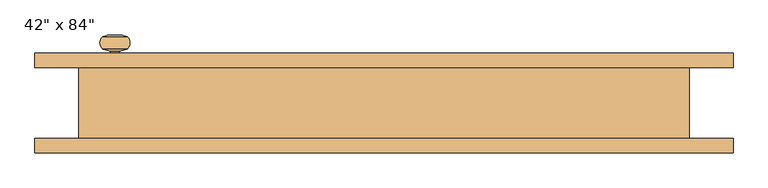
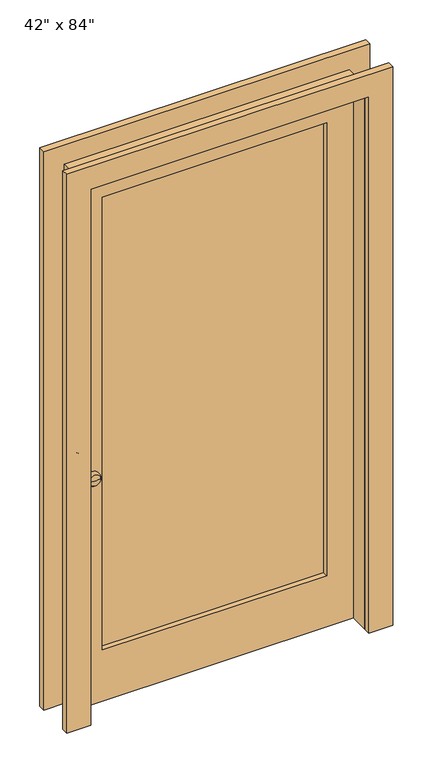
"""IFC4 building model written with IfcOpenShell, lengths in millimetres: door geometry."""

from ifc_helpers import new_model, si_unit, point, frame, origin, place, context, project, spatial, polyline, circle_curve, ellipse_curve, trimmed, outline, extrude, source, transform, mapped, element, save
from ifc_brep_helpers import plane_surface, cylinder_surface, revolved_surface, advanced_brep


def door_468534c4(model_context):
    return source(origin(), model_context, "Body", "SolidModel", [
        extrude(outline(polyline([(2209.8, -609.6), (0.0, -609.6), (0.0, -520.7), (2120.9, -520.7), (2120.9, 520.7), (0.0, 520.7), (0.0, 609.6), (2209.8, 609.6), (2209.8, -609.6)])), frame((0.0, 61.9125, 0.0), z_axis=(0.0, 1.0, 0.0), x_axis=(0.0, 0.0, 1.0)), (0.0, 0.0, 1.0), 25.4),
        extrude(outline(polyline([(2209.8, 609.6), (2209.8, -609.6), (0.0, -609.6), (0.0, -520.7), (2120.9, -520.7), (2120.9, 520.7), (0.0, 520.7), (0.0, 609.6), (2209.8, 609.6)])), frame((0.0, -87.3125, 0.0), z_axis=(0.0, 1.0, 0.0), x_axis=(0.0, 0.0, 1.0)), (0.0, 0.0, 1.0), 25.4),
        extrude(outline(polyline([(2120.9, 520.7), (2120.9, -520.7), (0.0, -520.7), (0.0, 520.7), (2120.9, 520.7)]), holes=[polyline([(1993.9, 419.1), (203.2, 419.1), (203.2, -419.1), (1993.9, -419.1), (1993.9, 419.1)])]), frame((0.0, 11.1125, 0.0), z_axis=(0.0, 1.0, 0.0), x_axis=(0.0, 0.0, 1.0)), (0.0, 0.0, 1.0), 50.8),
        extrude(outline(polyline([(2133.6, 533.4), (2133.6, -533.4), (0.0, -533.4), (0.0, -520.7), (2120.9, -520.7), (2120.9, 520.7), (0.0, 520.7), (0.0, 533.4), (2133.6, 533.4)])), frame((0.0, -61.9125, 0.0), z_axis=(0.0, 1.0, 0.0), x_axis=(0.0, 0.0, 1.0)), (0.0, 0.0, 1.0), 123.825),
        extrude(outline(polyline([(419.1, 30.1625), (-419.1, 30.1625), (-419.1, 42.8625), (419.1, 42.8625), (419.1, 30.1625)])), frame((0.0, 0.0, 203.2), z_axis=(0.0, 0.0, 1.0), x_axis=(1.0, 0.0, 0.0)), (0.0, 0.0, 1.0), 1790.7),
        advanced_brep(
        [(-469.9, 61.9125, 914.4), (-477.3064417, 61.9125, 914.4), (-462.4935583, 61.9125, 914.4), (-477.3064417, 90.3637978, 914.4), (-462.4935583, 90.3637978, 914.4), (-491.1502241, 94.0732281, 914.4), (-448.6497759, 94.0732281, 914.4), (-491.1502241, 116.4533006, 914.4), (-448.6497759, 116.4533006, 914.4), (-469.9, 119.0625, 914.4)],
        [
            (0, 1),
            (1, 2, circle_curve(frame((-469.9, 61.9125, 914.4), z_axis=(0.0, -1.0, 0.0), x_axis=(-1.0, 0.0, 0.0)), 7.4064417)),
            (2, 0),
            (2, 1, circle_curve(frame((-469.9, 61.9125, 914.4), z_axis=(0.0, -1.0, 0.0), x_axis=(-1.0, 0.0, 0.0)), 7.4064417)),
            (1, 3),
            (3, 4, circle_curve(frame((-469.9, 90.3637978, 914.4), z_axis=(0.0, -1.0, 0.0), x_axis=(-1.0, 0.0, 0.0)), 7.4064417)),
            (4, 2),
            (4, 3, circle_curve(frame((-469.9, 90.3637978, 914.4), z_axis=(0.0, -1.0, 0.0), x_axis=(-1.0, 0.0, 0.0)), 7.4064417)),
            (3, 5),
            (5, 6, circle_curve(frame((-469.9, 94.0732281, 914.4), z_axis=(0.0, -1.0, 0.0), x_axis=(-1.0, 0.0, 0.0)), 21.2502241)),
            (6, 4),
            (6, 5, circle_curve(frame((-469.9, 94.0732281, 914.4), z_axis=(0.0, -1.0, 0.0), x_axis=(-1.0, 0.0, 0.0)), 21.2502241)),
            (5, 7, circle_curve(frame((-480.5958505, 105.2632643, 914.4), z_axis=(0.0, 0.0, -1.0), x_axis=(-1.0, 0.0, 0.0)), 15.3821882)),
            (7, 8, circle_curve(frame((-469.9, 116.4533006, 914.4), z_axis=(0.0, -1.0, 0.0), x_axis=(-1.0, 0.0, 0.0)), 21.2502241)),
            (8, 6, circle_curve(frame((-459.2041495, 105.2632643, 914.4), z_axis=(0.0, 0.0, -1.0), x_axis=(1.0, 0.0, 0.0)), 15.3821882)),
            (8, 7, circle_curve(frame((-469.9, 116.4533006, 914.4), z_axis=(0.0, -1.0, 0.0), x_axis=(-1.0, 0.0, 0.0)), 21.2502241)),
            (7, 9, circle_curve(frame((-469.9, 31.2233068, 914.4), z_axis=(0.0, 0.0, -1.0), x_axis=(-1.0, 0.0, 0.0)), 87.8391932)),
            (9, 8, circle_curve(frame((-469.9, 31.2233068, 914.4), z_axis=(0.0, 0.0, -1.0), x_axis=(1.0, 0.0, 0.0)), 87.8391932)),
        ],
        [
            plane_surface(frame((-469.9, 61.9125, 914.4), z_axis=(0.0, -1.0, 0.0), x_axis=(-1.0, 0.0, 0.0))),
            cylinder_surface(frame((-469.9, 68.2625, 914.4), z_axis=(0.0, -1.0, 0.0), x_axis=(-1.0, 0.0, 0.0)), 7.4064417),
            revolved_surface(polyline([(-491.1502241, 94.0732281, 914.4), (-477.3064417, 90.3637978, 914.4)]), (-469.9, 68.2625, 914.4), (0.0, -1.0, 0.0)),
            revolved_surface(trimmed(ellipse_curve(frame((-480.5958505, 105.2632643, 914.4), z_axis=(0.0, 0.0, 1.0), x_axis=(-1.0, 0.0, 0.0)), 15.3821882, 15.3821882), [point((-491.1502241, 116.4533006, 914.4))], [point((-491.1502241, 94.0732281, 914.4))], True, "CARTESIAN"), (-469.9, 68.2625, 914.4), (0.0, -1.0, 0.0)),
            revolved_surface(trimmed(ellipse_curve(frame((-469.9, 31.2233068, 914.4), z_axis=(0.0, 0.0, 1.0), x_axis=(-1.0, 0.0, 0.0)), 87.8391932, 87.8391932), [point((-469.9, 119.0625, 914.4))], [point((-491.1502241, 116.4533006, 914.4))], True, "CARTESIAN"), (-469.9, 68.2625, 914.4), (0.0, -1.0, 0.0)),
        ],
        [
            (0, [[1, 2, 3]]),
            (0, [[-3, 4, -1]]),
            (1, [[-2, 5, 6, 7]]),
            (1, [[-4, -7, 8, -5]]),
            (2, [[-6, 9, 10, 11]]),
            (2, [[-8, -11, 12, -9]]),
            (3, [[-10, 13, 14, 15]]),
            (3, [[-12, -15, 16, -13]]),
            (4, [[-14, 17, 18]]),
            (4, [[-16, -18, -17]]),
        ],
    ),
        advanced_brep(
        [(-462.4935583, 25.4, 914.4), (-477.3064417, 25.4, 914.4), (-469.9, 25.4, 914.4), (-462.4935583, -3.0512978, 914.4), (-477.3064417, -3.0512978, 914.4), (-448.6497759, -6.7607281, 914.4), (-491.1502241, -6.7607281, 914.4), (-447.8998593, -28.3826739, 914.4), (-491.9001407, -28.3826739, 914.4), (-469.9, -31.75, 914.4)],
        [
            (0, 1, circle_curve(frame((-469.9, 25.4, 914.4), z_axis=(0.0, 1.0, 0.0), x_axis=(-1.0, 0.0, 0.0)), 7.4064417)),
            (1, 2),
            (2, 0),
            (1, 0, circle_curve(frame((-469.9, 25.4, 914.4), z_axis=(0.0, 1.0, 0.0), x_axis=(-1.0, 0.0, 0.0)), 7.4064417)),
            (3, 4, circle_curve(frame((-469.9, -3.0512978, 914.4), z_axis=(0.0, 1.0, 0.0), x_axis=(-1.0, 0.0, 0.0)), 7.4064417)),
            (4, 1),
            (0, 3),
            (4, 3, circle_curve(frame((-469.9, -3.0512978, 914.4), z_axis=(0.0, 1.0, 0.0), x_axis=(-1.0, 0.0, 0.0)), 7.4064417)),
            (5, 6, circle_curve(frame((-469.9, -6.7607281, 914.4), z_axis=(0.0, 1.0, 0.0), x_axis=(-1.0, 0.0, 0.0)), 21.2502241)),
            (6, 4),
            (3, 5),
            (6, 5, circle_curve(frame((-469.9, -6.7607281, 914.4), z_axis=(0.0, 1.0, 0.0), x_axis=(-1.0, 0.0, 0.0)), 21.2502241)),
            (7, 8, circle_curve(frame((-469.9, -28.3826739, 914.4), z_axis=(0.0, 1.0, 0.0), x_axis=(-1.0, 0.0, 0.0)), 22.0001407)),
            (8, 6, circle_curve(frame((-480.5958505, -17.9507643, 914.4), z_axis=(0.0, 0.0, -1.0), x_axis=(-1.0, 0.0, 0.0)), 15.3821882)),
            (5, 7, circle_curve(frame((-459.2041495, -17.9507643, 914.4), z_axis=(0.0, 0.0, -1.0), x_axis=(1.0, 0.0, 0.0)), 15.3821882)),
            (8, 7, circle_curve(frame((-469.9, -28.3826739, 914.4), z_axis=(0.0, 1.0, 0.0), x_axis=(-1.0, 0.0, 0.0)), 22.0001407)),
            (9, 8, circle_curve(frame((-469.9, 41.8016932, 914.4), z_axis=(0.0, 0.0, -1.0), x_axis=(-1.0, 0.0, 0.0)), 73.5516932)),
            (7, 9, circle_curve(frame((-469.9, 41.8016932, 914.4), z_axis=(0.0, 0.0, -1.0), x_axis=(1.0, 0.0, 0.0)), 73.5516932)),
        ],
        [
            plane_surface(frame((-469.9, 25.4, 914.4), z_axis=(0.0, 1.0, 0.0), x_axis=(-1.0, 0.0, 0.0))),
            cylinder_surface(frame((-469.9, 19.05, 914.4), z_axis=(0.0, -1.0, 0.0), x_axis=(-1.0, 0.0, 0.0)), 7.4064417),
            revolved_surface(polyline([(-477.3064417, -3.0512978, 914.4), (-491.1502241, -6.7607281, 914.4)]), (-469.9, 19.05, 914.4), (0.0, -1.0, 0.0)),
            revolved_surface(trimmed(ellipse_curve(frame((-480.5958505, -17.9507643, 914.4), z_axis=(0.0, 0.0, 1.0), x_axis=(-1.0, 0.0, 0.0)), 15.3821882, 15.3821882), [point((-491.1502241, -6.7607281, 914.4))], [point((-491.9001407, -28.3826739, 914.4))], True, "CARTESIAN"), (-469.9, 19.05, 914.4), (0.0, -1.0, 0.0)),
            revolved_surface(trimmed(ellipse_curve(frame((-469.9, 41.8016932, 914.4), z_axis=(0.0, 0.0, 1.0), x_axis=(-1.0, 0.0, 0.0)), 73.5516932, 73.5516932), [point((-491.9001407, -28.3826739, 914.4))], [point((-469.9, -31.75, 914.4))], True, "CARTESIAN"), (-469.9, 19.05, 914.4), (0.0, -1.0, 0.0)),
        ],
        [
            (0, [[1, 2, 3]]),
            (0, [[4, -3, -2]]),
            (1, [[5, 6, -1, 7]]),
            (1, [[8, -7, -4, -6]]),
            (2, [[9, 10, -5, 11]]),
            (2, [[12, -11, -8, -10]]),
            (3, [[13, 14, -9, 15]]),
            (3, [[16, -15, -12, -14]]),
            (4, [[17, -13, 18]]),
            (4, [[-18, -16, -17]]),
        ],
    ),
    ])


if __name__ == "__main__":
    model = new_model("IFC4")
    model_context = context("Model", 3, world=origin())
    ifc_project = project(units=[si_unit("LENGTHUNIT", "METRE", prefix="MILLI")], contexts=[model_context])
    site = spatial("IfcSite", under=ifc_project)
    building = spatial("IfcBuilding", under=site)
    placement = place(None, origin())
    door_shape = door_468534c4(model_context)
    element("IfcDoor", 1, ObjectType="42\" x 84\"", at=placement, inside=building, context=model_context, shape_type="MappedRepresentation", body=[
        mapped(door_shape, transform((0.0, 0.0, 0.0), x_axis=(1.0, 0.0, 0.0), y_axis=(0.0, 1.0, 0.0), z_axis=(0.0, 0.0, 1.0))),
    ])
    save(model, "model.ifc")
